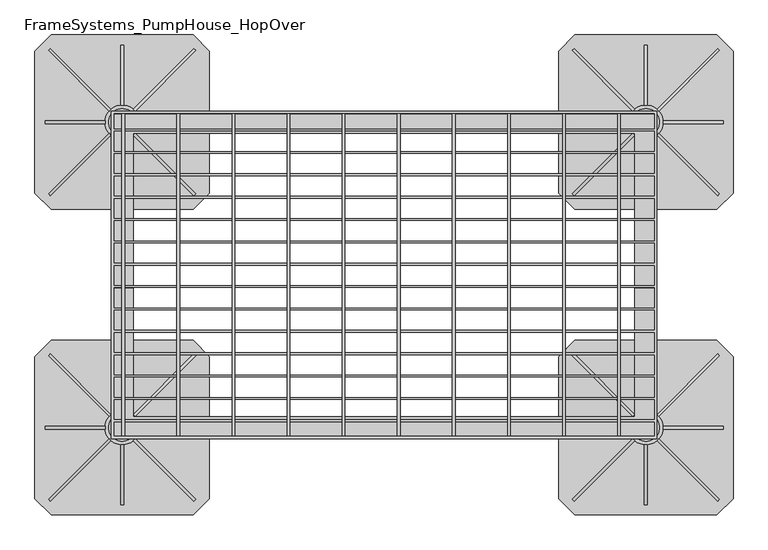
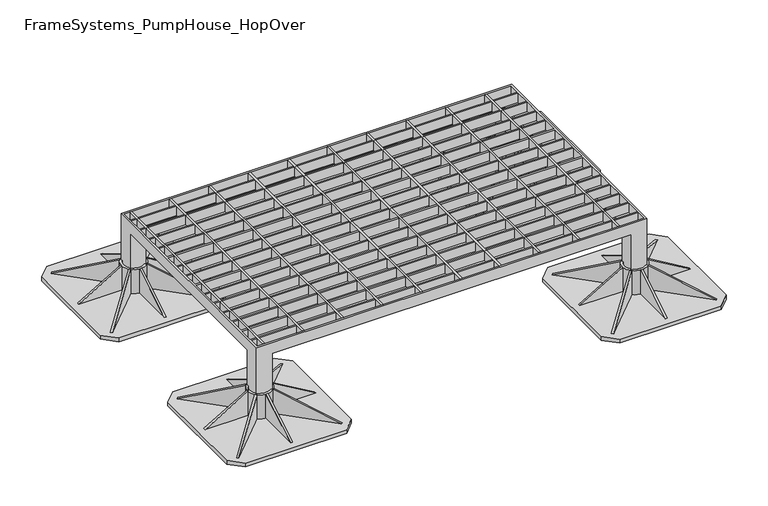
"""IFC4 building model written with IfcOpenShell, lengths in millimetres: beam geometry, FrameSystems_PumpHouse_HopOver."""

import ifcopenshell
import ifcopenshell.guid

model = None  # the IFC model being written
_history = None  # IfcOwnerHistory: only IFC2X3 demands one
_inside = {}  # id of a spatial element -> (the spatial element, [elements in it])
_under = {}  # id of a project, library or spatial element -> (it, [spatial elements below it])
_declared = {}  # id of a project -> (the project, [libraries it declares])
_typed = {}  # id of a type object -> (the type object, [elements of that type])
_made_of = {}  # id of a material, layer set ... -> (it, [elements and type objects made of it])


def new_model(schema):
    """Start an empty IFC model of exactly this schema.

    Asked for "IFC4X3", IfcOpenShell would pick the latest addendum, in which some entities
    have other attributes; the version numbers below select the first issue.
    IFC2X3 requires an IfcOwnerHistory on every rooted entity: one is made here for all.
    """
    global model, _history
    if schema == "IFC4X3":
        model = ifcopenshell.file(schema_version=(4, 3, 0, 0))
    else:
        model = ifcopenshell.file(schema=schema)
    _inside.clear()
    _under.clear()
    _declared.clear()
    _typed.clear()
    _made_of.clear()
    _history = None
    if model.schema == "IFC2X3":
        org = make("IfcOrganization", Name="unknown")
        user = make(
            "IfcPersonAndOrganization",
            ThePerson=make("IfcPerson", FamilyName="unknown"),
            TheOrganization=org,
        )
        app = make(
            "IfcApplication",
            ApplicationDeveloper=org,
            Version="unknown",
            ApplicationFullName="unknown",
            ApplicationIdentifier="unknown",
        )
        _history = make(
            "IfcOwnerHistory",
            OwningUser=user,
            OwningApplication=app,
            ChangeAction="ADDED",
            CreationDate=0,
        )
    return model


def make(cls, **values):
    """One entity of the class cls with the attributes given. An attribute that is None is left unset."""
    return model.create_entity(
        cls, **{name: value for name, value in values.items() if value is not None}
    )


def rooted(cls, **values):
    """An entity with a GlobalId (a new one), such as an element, a storey or a relation."""
    return make(cls, GlobalId=ifcopenshell.guid.new(), OwnerHistory=_history, **values)


def si_unit(unit_type, name, prefix=None):
    """IfcSIUnit, for example si_unit("LENGTHUNIT", "METRE", prefix="MILLI")."""
    return make("IfcSIUnit", UnitType=unit_type, Prefix=prefix, Name=name)


def assignment(units):
    """IfcUnitAssignment: the units of a project."""
    return None if units is None else make("IfcUnitAssignment", Units=units)


def point(xyz):
    """IfcCartesianPoint."""
    return None if xyz is None else make("IfcCartesianPoint", Coordinates=xyz)


def direction(xyz):
    """IfcDirection."""
    return None if xyz is None else make("IfcDirection", DirectionRatios=xyz)


def frame(location, z_axis=None, x_axis=None):
    """IfcAxis2Placement3D, a coordinate frame: its origin and axes. An axis left out is left unset."""
    return make(
        "IfcAxis2Placement3D",
        Location=point(location),
        Axis=direction(z_axis),
        RefDirection=direction(x_axis),
    )


def frame_2d(location, x_axis=None):
    """IfcAxis2Placement2D, a coordinate frame in the plane: its origin and x axis."""
    return make(
        "IfcAxis2Placement2D", Location=point(location), RefDirection=direction(x_axis)
    )


def origin():
    """The frame at (0, 0, 0) with its axes left unset."""
    return frame((0.0, 0.0, 0.0))


def origin_with_axes():
    """The frame at (0, 0, 0) with the z axis (0, 0, 1) and the x axis (1, 0, 0) written out."""
    return frame((0.0, 0.0, 0.0), z_axis=(0.0, 0.0, 1.0), x_axis=(1.0, 0.0, 0.0))


def place(relative_to, where):
    """IfcLocalPlacement: puts the frame where relative to a parent placement (None: the world)."""
    return make(
        "IfcLocalPlacement", PlacementRelTo=relative_to, RelativePlacement=where
    )


def context(
    kind, dimensions, precision=None, world=None, true_north=None, identifier=None
):
    """IfcGeometricRepresentationContext, for example the 3D "Model" context."""
    return make(
        "IfcGeometricRepresentationContext",
        ContextIdentifier=identifier,
        ContextType=kind,
        CoordinateSpaceDimension=dimensions,
        Precision=precision,
        WorldCoordinateSystem=world,
        TrueNorth=true_north,
    )


def project(units=None, contexts=None):
    """IfcProject with its units and contexts."""
    return rooted(
        "IfcProject",
        Name="project",
        RepresentationContexts=contexts,
        UnitsInContext=assignment(units),
    )


def spatial(cls, under=None, at=None, **own):
    """A site, building, storey or space (cls), placed at a placement, below another one or the project."""
    s = rooted(cls, ObjectPlacement=at, **own)
    if under is not None:
        _under.setdefault(under.id(), (under, []))[1].append(s)
    return s


def polyline(points):
    """IfcPolyline through the points."""
    return make("IfcPolyline", Points=[point(p) for p in points])


def circle_curve(where, radius):
    """IfcCircle in the frame where."""
    return make("IfcCircle", Position=where, Radius=radius)


def trimmed(basis, trim1, trim2, sense, master):
    """IfcTrimmedCurve: the piece of a basis curve between two trims."""
    return make(
        "IfcTrimmedCurve",
        BasisCurve=basis,
        Trim1=trim1,
        Trim2=trim2,
        SenseAgreement=sense,
        MasterRepresentation=master,
    )


def segment(curve, same_sense, transition):
    """IfcCompositeCurveSegment."""
    return make(
        "IfcCompositeCurveSegment",
        Transition=transition,
        SameSense=same_sense,
        ParentCurve=curve,
    )


def composite_curve(segments, self_intersect=None):
    """IfcCompositeCurve: segments joined end to end."""
    return make("IfcCompositeCurve", Segments=segments, SelfIntersect=self_intersect)


def outline(outer, holes=None, kind="AREA"):
    """IfcArbitraryClosedProfileDef: a profile drawn as a closed curve; with holes, ...WithVoids."""
    if holes is None:
        return make("IfcArbitraryClosedProfileDef", ProfileType=kind, OuterCurve=outer)
    return make(
        "IfcArbitraryProfileDefWithVoids",
        ProfileType=kind,
        OuterCurve=outer,
        InnerCurves=holes,
    )


def extrude(swept, where, along, depth):
    """IfcExtrudedAreaSolid: the profile swept, set in the frame where, extruded along a direction by depth."""
    return make(
        "IfcExtrudedAreaSolid",
        SweptArea=swept,
        Position=where,
        ExtrudedDirection=direction(along),
        Depth=depth,
    )


def faces_of(points, faces, orient=None, outer=None):
    """IfcFace entities. A face is a list of loops; a loop is a list of indices into points, from 0.

    orient and outer hold one flag for each loop. By default every Orientation is true, the
    first loop of a face is its IfcFaceOuterBound and the others are IfcFaceBound.
    """
    made = []
    for i, loops in enumerate(faces):
        bounds = []
        for j, loop in enumerate(loops):
            is_outer = j == 0 if outer is None else outer[i][j]
            bounds.append(
                make(
                    "IfcFaceOuterBound" if is_outer else "IfcFaceBound",
                    Bound=make("IfcPolyLoop", Polygon=[points[k] for k in loop]),
                    Orientation=True if orient is None else orient[i][j],
                )
            )
        made.append(make("IfcFace", Bounds=bounds))
    return made


def faceted_brep(points, faces, orient=None, outer=None, voids=None):
    """IfcFacetedBrep: a solid bounded by flat faces; with voids (closed shells), ...WithVoids."""
    shared = [point(p) for p in points]
    hull = make("IfcClosedShell", CfsFaces=faces_of(shared, faces, orient, outer))
    if voids is None:
        return make("IfcFacetedBrep", Outer=hull)
    return make(
        "IfcFacetedBrepWithVoids",
        Outer=hull,
        Voids=[
            make(cls, CfsFaces=faces_of(shared, fs, o, b)) for cls, fs, o, b in voids
        ],
    )


def shape(context_of_items, identifier, shape_type, items):
    """IfcShapeRepresentation: the items that make up one representation, for example the "Body"."""
    return make(
        "IfcShapeRepresentation",
        ContextOfItems=context_of_items,
        RepresentationIdentifier=identifier,
        RepresentationType=shape_type,
        Items=items,
    )


def source(mapping_origin, context_of_items, identifier, shape_type, items):
    """IfcRepresentationMap: a shape defined once, which mapped items show again and again."""
    return make(
        "IfcRepresentationMap",
        MappingOrigin=mapping_origin,
        MappedRepresentation=shape(context_of_items, identifier, shape_type, items),
    )


def transform(
    local_origin,
    x_axis=None,
    y_axis=None,
    z_axis=None,
    scale=None,
    scale2=None,
    scale3=None,
    uniform=True,
):
    """IfcCartesianTransformationOperator3D, or its non-uniform kind. x_axis, y_axis, z_axis: its Axis1, 2, 3."""
    if uniform:
        return make(
            "IfcCartesianTransformationOperator3D",
            Axis1=direction(x_axis),
            Axis2=direction(y_axis),
            LocalOrigin=point(local_origin),
            Scale=scale,
            Axis3=direction(z_axis),
        )
    return make(
        "IfcCartesianTransformationOperator3DnonUniform",
        Axis1=direction(x_axis),
        Axis2=direction(y_axis),
        LocalOrigin=point(local_origin),
        Scale=scale,
        Axis3=direction(z_axis),
        Scale2=scale2,
        Scale3=scale3,
    )


def mapped(mapping_source, mapping_target):
    """IfcMappedItem: shows the shape of a source again, moved by a transform."""
    return make(
        "IfcMappedItem", MappingSource=mapping_source, MappingTarget=mapping_target
    )


def made_of(thing, what):
    """Note that an element or type object is made of a material, layer set ...; save() writes the relation."""
    if what is not None:
        _made_of.setdefault(what.id(), (what, []))[1].append(thing)
    return thing


def element(
    cls,
    number,
    at=None,
    inside=None,
    cuts=None,
    type_object=None,
    material=None,
    context=None,
    identifier="Body",
    shape_type=None,
    held_by="IfcProductDefinitionShape",
    body=None,
    shapes=None,
    **own,
):
    """One element of the class cls, such as IfcWall. Its Tag is "e" and its number.

    at: its placement. inside: the storey or other place that contains it. cuts: it is an
    opening in that element (IfcRelVoidsElement). A single representation is given by context,
    identifier, shape_type and body (its items); several are given by shapes. held_by: the class
    of the entity that holds the representations. save() writes the other relations.
    """
    e = rooted(cls, Tag="e%d" % number, ObjectPlacement=at, **own)
    if body is not None:
        shapes = [shape(context, identifier, shape_type, body)]
    if shapes is not None:
        e.Representation = make(held_by, Representations=shapes)
    if inside is not None:
        _inside.setdefault(inside.id(), (inside, []))[1].append(e)
    if cuts is not None:
        rooted(
            "IfcRelVoidsElement", RelatingBuildingElement=cuts, RelatedOpeningElement=e
        )
    if type_object is not None:
        _typed.setdefault(type_object.id(), (type_object, []))[1].append(e)
    return made_of(e, material)


def aggregate(whole, parts):
    """IfcRelAggregates: a whole, such as a stair, and the parts it consists of."""
    return rooted("IfcRelAggregates", RelatingObject=whole, RelatedObjects=parts)


def save(model, path):
    """Write the relations noted so far, then the file.

    IfcRelAggregates (storeys below a building ...), IfcRelContainedInSpatialStructure (elements
    in a storey), IfcRelDefinesByType, IfcRelAssociatesMaterial and IfcRelDeclares: one each for
    every whole, place, type object, material and project.
    """
    for whole, parts in _under.values():
        aggregate(whole, parts)
    for where, things in _inside.values():
        rooted(
            "IfcRelContainedInSpatialStructure",
            RelatedElements=things,
            RelatingStructure=where,
        )
    for kind, things in _typed.values():
        rooted("IfcRelDefinesByType", RelatedObjects=things, RelatingType=kind)
    for what, things in _made_of.values():
        rooted("IfcRelAssociatesMaterial", RelatedObjects=things, RelatingMaterial=what)
    for by, libraries in _declared.values():
        rooted("IfcRelDeclares", RelatingContext=by, RelatedDefinitions=libraries)
    model.write(path)


def framesystems_pumphouse_hopover_622fe29a(model_context):
    return source(origin(), model_context, "Body", "SolidModel", [
        extrude(outline(polyline([(0.0, 0.0), (169.9235121, 0.0), (145.0593839, -60.0564328), (0.0, 0.0)])), frame((1091.5218613, -98.5573952, 10.0), z_axis=(0.7071067811865491, 0.7071067811865459, 0.0), x_axis=(-0.653327860317026, 0.653327860317029, 0.3825250499864671)), (0.0, 0.0, 1.0), 5.0),
        extrude(outline(polyline([(0.0, 0.0), (-145.0593839, -60.0564328), (-169.9235121, 0.0), (0.0, 0.0)])), frame((828.4781387, -98.5573952, 10.0), z_axis=(-0.7071067811865449, 0.7071067811865502, 0.0), x_axis=(-0.65332786031703, -0.653327860317025, -0.38252504998646697)), (0.0, 0.0, 1.0), 5.0),
        extrude(outline(polyline([(0.0, 0.0), (169.9235121, 0.0), (145.0593839, -60.0564328), (0.0, 0.0)])), frame((1095.0573952, 168.0218613, 10.0), z_axis=(-0.707106781186539, 0.7071067811865561, 0.0), x_axis=(-0.6533278603170355, -0.6533278603170196, 0.3825250499864671)), (0.0, 0.0, 1.0), 5.0),
        extrude(outline(polyline([(10.0, 818.5), (10.0, 928.5), (75.0, 928.5), (10.0, 818.5)])), frame((0.0, 34.0, 0.0), z_axis=(0.0, 1.0, 0.0), x_axis=(0.0, 0.0, 1.0)), (0.0, 0.0, 1.0), 5.0),
        extrude(outline(polyline([(178.0, 10.0), (68.0, 10.0), (68.0, 75.0), (178.0, 10.0)])), frame((957.5, 0.0, 0.0), z_axis=(1.0, 0.0, 0.0), x_axis=(0.0, 1.0, 0.0)), (0.0, 0.0, 1.0), 5.0),
        extrude(outline(polyline([(-105.0, 10.0), (5.0, 75.0), (5.0, 10.0), (-105.0, 10.0)])), frame((957.5, 0.0, 0.0), z_axis=(1.0, 0.0, 0.0), x_axis=(0.0, 1.0, 0.0)), (0.0, 0.0, 1.0), 5.0),
        extrude(outline(polyline([(0.0, 0.0), (-145.0593839, -60.0564328), (-169.9235121, 0.0), (0.0, 0.0)])), frame((824.9426048, 168.0218613, 10.0), z_axis=(0.7071067811865491, 0.707106781186546, 0.0), x_axis=(-0.6533278603170262, 0.653327860317029, -0.3825250499864671)), (0.0, 0.0, 1.0), 5.0),
        extrude(outline(polyline([(10.0, 1101.5), (75.0, 991.5), (10.0, 991.5), (10.0, 1101.5)])), frame((0.0, 34.0, 0.0), z_axis=(0.0, 1.0, 0.0), x_axis=(0.0, 0.0, 1.0)), (0.0, 0.0, 1.0), 5.0),
        extrude(outline(composite_curve([segment(trimmed(circle_curve(frame_2d((960.0, 36.5)), 31.5), [point((928.5, 36.5))], [point((991.5, 36.5))], False, "CARTESIAN"), True, "CONTINUOUS"), segment(trimmed(circle_curve(frame_2d((960.0, 36.5)), 31.5), [point((991.5, 36.5))], [point((928.5, 36.5))], False, "CARTESIAN"), True, "CONTINUOUS")], self_intersect=False), holes=[composite_curve([segment(polyline([(940.0, 21.5), (940.0, 16.5), (945.0, 16.5)]), True, "CONTINUOUS"), segment(trimmed(circle_curve(frame_2d((960.0, 36.5)), 25.0), [point((945.0, 16.5))], [point((975.0, 16.5))], True, "CARTESIAN"), True, "CONTINUOUS"), segment(polyline([(975.0, 16.5), (980.0, 16.5), (980.0, 21.5)]), True, "CONTINUOUS"), segment(trimmed(circle_curve(frame_2d((960.0, 36.5)), 25.0), [point((980.0, 21.5))], [point((980.0, 51.5))], True, "CARTESIAN"), True, "CONTINUOUS"), segment(polyline([(980.0, 51.5), (980.0, 56.5), (975.0, 56.5)]), True, "CONTINUOUS"), segment(trimmed(circle_curve(frame_2d((960.0, 36.5)), 25.0), [point((975.0, 56.5))], [point((945.0, 56.5))], True, "CARTESIAN"), True, "CONTINUOUS"), segment(polyline([(945.0, 56.5), (940.0, 56.5), (940.0, 51.5)]), True, "CONTINUOUS"), segment(trimmed(circle_curve(frame_2d((960.0, 36.5)), 25.0), [point((940.0, 51.5))], [point((940.0, 21.5))], True, "CARTESIAN"), True, "CONTINUOUS")], self_intersect=False)]), frame((0.0, 0.0, 10.0), z_axis=(0.0, 0.0, 1.0), x_axis=(1.0, 0.0, 0.0)), (0.0, 0.0, 1.0), 65.0),
        extrude(outline(polyline([(1090.0, 196.5), (1120.0, 166.5), (1120.0, -93.5), (1090.0, -123.5), (830.0, -123.5), (800.0, -93.5), (800.0, 166.5), (830.0, 196.5), (1090.0, 196.5)])), origin_with_axes(), (0.0, 0.0, 1.0), 10.0),
        extrude(outline(polyline([(0.0, 0.0), (169.9235121, 0.0), (145.0593839, -60.0564328), (0.0, 0.0)])), frame((131.5218613, -98.5573952, 10.0), z_axis=(0.7071067811865491, 0.7071067811865459, 0.0), x_axis=(-0.653327860317026, 0.653327860317029, 0.3825250499864671)), (0.0, 0.0, 1.0), 5.0),
        extrude(outline(polyline([(0.0, 0.0), (-145.0593839, -60.0564328), (-169.9235121, 0.0), (0.0, 0.0)])), frame((-131.5218613, -98.5573952, 10.0), z_axis=(-0.7071067811865449, 0.7071067811865502, 0.0), x_axis=(-0.65332786031703, -0.653327860317025, -0.38252504998646697)), (0.0, 0.0, 1.0), 5.0),
        extrude(outline(polyline([(0.0, 0.0), (169.9235121, 0.0), (145.0593839, -60.0564328), (0.0, 0.0)])), frame((135.0573952, 168.0218613, 10.0), z_axis=(-0.707106781186539, 0.7071067811865561, 0.0), x_axis=(-0.6533278603170355, -0.6533278603170196, 0.3825250499864671)), (0.0, 0.0, 1.0), 5.0),
        extrude(outline(polyline([(10.0, -141.5), (10.0, -31.5), (75.0, -31.5), (10.0, -141.5)])), frame((0.0, 34.0, 0.0), z_axis=(0.0, 1.0, 0.0), x_axis=(0.0, 0.0, 1.0)), (0.0, 0.0, 1.0), 5.0),
        extrude(outline(polyline([(178.0, 10.0), (68.0, 10.0), (68.0, 75.0), (178.0, 10.0)])), frame((-2.5, 0.0, 0.0), z_axis=(1.0, 0.0, 0.0), x_axis=(0.0, 1.0, 0.0)), (0.0, 0.0, 1.0), 5.0),
        extrude(outline(polyline([(-105.0, 10.0), (5.0, 75.0), (5.0, 10.0), (-105.0, 10.0)])), frame((-2.5, 0.0, 0.0), z_axis=(1.0, 0.0, 0.0), x_axis=(0.0, 1.0, 0.0)), (0.0, 0.0, 1.0), 5.0),
        extrude(outline(polyline([(0.0, 0.0), (-145.0593839, -60.0564328), (-169.9235121, 0.0), (0.0, 0.0)])), frame((-135.0573952, 168.0218613, 10.0), z_axis=(0.7071067811865491, 0.707106781186546, 0.0), x_axis=(-0.6533278603170262, 0.653327860317029, -0.3825250499864671)), (0.0, 0.0, 1.0), 5.0),
        extrude(outline(polyline([(10.0, 141.5), (75.0, 31.5), (10.0, 31.5), (10.0, 141.5)])), frame((0.0, 34.0, 0.0), z_axis=(0.0, 1.0, 0.0), x_axis=(0.0, 0.0, 1.0)), (0.0, 0.0, 1.0), 5.0),
        extrude(outline(composite_curve([segment(trimmed(circle_curve(frame_2d((0.0, 36.5)), 31.5), [point((-31.5, 36.5))], [point((31.5, 36.5))], False, "CARTESIAN"), True, "CONTINUOUS"), segment(trimmed(circle_curve(frame_2d((0.0, 36.5)), 31.5), [point((31.5, 36.5))], [point((-31.5, 36.5))], False, "CARTESIAN"), True, "CONTINUOUS")], self_intersect=False), holes=[composite_curve([segment(polyline([(-20.0, 21.5), (-20.0, 16.5), (-15.0, 16.5)]), True, "CONTINUOUS"), segment(trimmed(circle_curve(frame_2d((0.0, 36.5)), 25.0), [point((-15.0, 16.5))], [point((15.0, 16.5))], True, "CARTESIAN"), True, "CONTINUOUS"), segment(polyline([(15.0, 16.5), (20.0, 16.5), (20.0, 21.5)]), True, "CONTINUOUS"), segment(trimmed(circle_curve(frame_2d((0.0, 36.5)), 25.0), [point((20.0, 21.5))], [point((20.0, 51.5))], True, "CARTESIAN"), True, "CONTINUOUS"), segment(polyline([(20.0, 51.5), (20.0, 56.5), (15.0, 56.5)]), True, "CONTINUOUS"), segment(trimmed(circle_curve(frame_2d((0.0, 36.5)), 25.0), [point((15.0, 56.5))], [point((-15.0, 56.5))], True, "CARTESIAN"), True, "CONTINUOUS"), segment(polyline([(-15.0, 56.5), (-20.0, 56.5), (-20.0, 51.5)]), True, "CONTINUOUS"), segment(trimmed(circle_curve(frame_2d((0.0, 36.5)), 25.0), [point((-20.0, 51.5))], [point((-20.0, 21.5))], True, "CARTESIAN"), True, "CONTINUOUS")], self_intersect=False)]), frame((0.0, 0.0, 10.0), z_axis=(0.0, 0.0, 1.0), x_axis=(1.0, 0.0, 0.0)), (0.0, 0.0, 1.0), 65.0),
        extrude(outline(polyline([(130.0, 196.5), (160.0, 166.5), (160.0, -93.5), (130.0, -123.5), (-130.0, -123.5), (-160.0, -93.5), (-160.0, 166.5), (-130.0, 196.5), (130.0, 196.5)])), origin_with_axes(), (0.0, 0.0, 1.0), 10.0),
        extrude(outline(polyline([(0.0, 0.0), (169.9235121, 0.0), (145.0593839, -60.0564328), (0.0, 0.0)])), frame((1091.5218613, 461.4426048, 10.0), z_axis=(0.7071067811865491, 0.7071067811865459, 0.0), x_axis=(-0.653327860317026, 0.653327860317029, 0.3825250499864671)), (0.0, 0.0, 1.0), 5.0),
        extrude(outline(polyline([(0.0, 0.0), (-145.0593839, -60.0564328), (-169.9235121, 0.0), (0.0, 0.0)])), frame((828.4781387, 461.4426048, 10.0), z_axis=(-0.7071067811865449, 0.7071067811865502, 0.0), x_axis=(-0.65332786031703, -0.653327860317025, -0.38252504998646697)), (0.0, 0.0, 1.0), 5.0),
        extrude(outline(polyline([(0.0, 0.0), (169.9235121, 0.0), (145.0593839, -60.0564328), (0.0, 0.0)])), frame((1095.0573952, 728.0218613, 10.0), z_axis=(-0.707106781186539, 0.7071067811865561, 0.0), x_axis=(-0.6533278603170355, -0.6533278603170196, 0.3825250499864671)), (0.0, 0.0, 1.0), 5.0),
        extrude(outline(polyline([(10.0, 818.5), (10.0, 928.5), (75.0, 928.5), (10.0, 818.5)])), frame((0.0, 594.0, 0.0), z_axis=(0.0, 1.0, 0.0), x_axis=(0.0, 0.0, 1.0)), (0.0, 0.0, 1.0), 5.0),
        extrude(outline(polyline([(738.0, 10.0), (628.0, 10.0), (628.0, 75.0), (738.0, 10.0)])), frame((957.5, 0.0, 0.0), z_axis=(1.0, 0.0, 0.0), x_axis=(0.0, 1.0, 0.0)), (0.0, 0.0, 1.0), 5.0),
        extrude(outline(polyline([(455.0, 10.0), (565.0, 75.0), (565.0, 10.0), (455.0, 10.0)])), frame((957.5, 0.0, 0.0), z_axis=(1.0, 0.0, 0.0), x_axis=(0.0, 1.0, 0.0)), (0.0, 0.0, 1.0), 5.0),
        extrude(outline(polyline([(0.0, 0.0), (-145.0593839, -60.0564328), (-169.9235121, 0.0), (0.0, 0.0)])), frame((824.9426048, 728.0218613, 10.0), z_axis=(0.7071067811865491, 0.707106781186546, 0.0), x_axis=(-0.6533278603170262, 0.653327860317029, -0.3825250499864671)), (0.0, 0.0, 1.0), 5.0),
        extrude(outline(polyline([(10.0, 1101.5), (75.0, 991.5), (10.0, 991.5), (10.0, 1101.5)])), frame((0.0, 594.0, 0.0), z_axis=(0.0, 1.0, 0.0), x_axis=(0.0, 0.0, 1.0)), (0.0, 0.0, 1.0), 5.0),
        extrude(outline(composite_curve([segment(trimmed(circle_curve(frame_2d((960.0, 596.5)), 31.5), [point((928.5, 596.5))], [point((991.5, 596.5))], False, "CARTESIAN"), True, "CONTINUOUS"), segment(trimmed(circle_curve(frame_2d((960.0, 596.5)), 31.5), [point((991.5, 596.5))], [point((928.5, 596.5))], False, "CARTESIAN"), True, "CONTINUOUS")], self_intersect=False), holes=[composite_curve([segment(polyline([(940.0, 581.5), (940.0, 576.5), (945.0, 576.5)]), True, "CONTINUOUS"), segment(trimmed(circle_curve(frame_2d((960.0, 596.5)), 25.0), [point((945.0, 576.5))], [point((975.0, 576.5))], True, "CARTESIAN"), True, "CONTINUOUS"), segment(polyline([(975.0, 576.5), (980.0, 576.5), (980.0, 581.5)]), True, "CONTINUOUS"), segment(trimmed(circle_curve(frame_2d((960.0, 596.5)), 25.0), [point((980.0, 581.5))], [point((980.0, 611.5))], True, "CARTESIAN"), True, "CONTINUOUS"), segment(polyline([(980.0, 611.5), (980.0, 616.5), (975.0, 616.5)]), True, "CONTINUOUS"), segment(trimmed(circle_curve(frame_2d((960.0, 596.5)), 25.0), [point((975.0, 616.5))], [point((945.0, 616.5))], True, "CARTESIAN"), True, "CONTINUOUS"), segment(polyline([(945.0, 616.5), (940.0, 616.5), (940.0, 611.5)]), True, "CONTINUOUS"), segment(trimmed(circle_curve(frame_2d((960.0, 596.5)), 25.0), [point((940.0, 611.5))], [point((940.0, 581.5))], True, "CARTESIAN"), True, "CONTINUOUS")], self_intersect=False)]), frame((0.0, 0.0, 10.0), z_axis=(0.0, 0.0, 1.0), x_axis=(1.0, 0.0, 0.0)), (0.0, 0.0, 1.0), 65.0),
        extrude(outline(polyline([(1090.0, 756.5), (1120.0, 726.5), (1120.0, 466.5), (1090.0, 436.5), (830.0, 436.5), (800.0, 466.5), (800.0, 726.5), (830.0, 756.5), (1090.0, 756.5)])), origin_with_axes(), (0.0, 0.0, 1.0), 10.0),
        extrude(outline(polyline([(0.0, 0.0), (169.9235121, 0.0), (145.0593839, -60.0564328), (0.0, 0.0)])), frame((131.5218613, 461.4426048, 10.0), z_axis=(0.7071067811865491, 0.7071067811865459, 0.0), x_axis=(-0.653327860317026, 0.653327860317029, 0.3825250499864671)), (0.0, 0.0, 1.0), 5.0),
        extrude(outline(polyline([(0.0, 0.0), (-145.0593839, -60.0564328), (-169.9235121, 0.0), (0.0, 0.0)])), frame((-131.5218613, 461.4426048, 10.0), z_axis=(-0.7071067811865449, 0.7071067811865502, 0.0), x_axis=(-0.65332786031703, -0.653327860317025, -0.38252504998646697)), (0.0, 0.0, 1.0), 5.0),
        extrude(outline(polyline([(0.0, 0.0), (169.9235121, 0.0), (145.0593839, -60.0564328), (0.0, 0.0)])), frame((135.0573952, 728.0218613, 10.0), z_axis=(-0.707106781186539, 0.7071067811865561, 0.0), x_axis=(-0.6533278603170355, -0.6533278603170196, 0.3825250499864671)), (0.0, 0.0, 1.0), 5.0),
        extrude(outline(polyline([(10.0, -141.5), (10.0, -31.5), (75.0, -31.5), (10.0, -141.5)])), frame((0.0, 594.0, 0.0), z_axis=(0.0, 1.0, 0.0), x_axis=(0.0, 0.0, 1.0)), (0.0, 0.0, 1.0), 5.0),
        extrude(outline(polyline([(738.0, 10.0), (628.0, 10.0), (628.0, 75.0), (738.0, 10.0)])), frame((-2.5, 0.0, 0.0), z_axis=(1.0, 0.0, 0.0), x_axis=(0.0, 1.0, 0.0)), (0.0, 0.0, 1.0), 5.0),
        extrude(outline(polyline([(455.0, 10.0), (565.0, 75.0), (565.0, 10.0), (455.0, 10.0)])), frame((-2.5, 0.0, 0.0), z_axis=(1.0, 0.0, 0.0), x_axis=(0.0, 1.0, 0.0)), (0.0, 0.0, 1.0), 5.0),
        extrude(outline(polyline([(0.0, 0.0), (-145.0593839, -60.0564328), (-169.9235121, 0.0), (0.0, 0.0)])), frame((-135.0573952, 728.0218613, 10.0), z_axis=(0.7071067811865491, 0.707106781186546, 0.0), x_axis=(-0.6533278603170262, 0.653327860317029, -0.3825250499864671)), (0.0, 0.0, 1.0), 5.0),
        extrude(outline(polyline([(10.0, 141.5), (75.0, 31.5), (10.0, 31.5), (10.0, 141.5)])), frame((0.0, 594.0, 0.0), z_axis=(0.0, 1.0, 0.0), x_axis=(0.0, 0.0, 1.0)), (0.0, 0.0, 1.0), 5.0),
        extrude(outline(composite_curve([segment(trimmed(circle_curve(frame_2d((0.0, 596.5)), 31.5), [point((-31.5, 596.5))], [point((31.5, 596.5))], False, "CARTESIAN"), True, "CONTINUOUS"), segment(trimmed(circle_curve(frame_2d((0.0, 596.5)), 31.5), [point((31.5, 596.5))], [point((-31.5, 596.5))], False, "CARTESIAN"), True, "CONTINUOUS")], self_intersect=False), holes=[composite_curve([segment(polyline([(-20.0, 581.5), (-20.0, 576.5), (-15.0, 576.5)]), True, "CONTINUOUS"), segment(trimmed(circle_curve(frame_2d((0.0, 596.5)), 25.0), [point((-15.0, 576.5))], [point((15.0, 576.5))], True, "CARTESIAN"), True, "CONTINUOUS"), segment(polyline([(15.0, 576.5), (20.0, 576.5), (20.0, 581.5)]), True, "CONTINUOUS"), segment(trimmed(circle_curve(frame_2d((0.0, 596.5)), 25.0), [point((20.0, 581.5))], [point((20.0, 611.5))], True, "CARTESIAN"), True, "CONTINUOUS"), segment(polyline([(20.0, 611.5), (20.0, 616.5), (15.0, 616.5)]), True, "CONTINUOUS"), segment(trimmed(circle_curve(frame_2d((0.0, 596.5)), 25.0), [point((15.0, 616.5))], [point((-15.0, 616.5))], True, "CARTESIAN"), True, "CONTINUOUS"), segment(polyline([(-15.0, 616.5), (-20.0, 616.5), (-20.0, 611.5)]), True, "CONTINUOUS"), segment(trimmed(circle_curve(frame_2d((0.0, 596.5)), 25.0), [point((-20.0, 611.5))], [point((-20.0, 581.5))], True, "CARTESIAN"), True, "CONTINUOUS")], self_intersect=False)]), frame((0.0, 0.0, 10.0), z_axis=(0.0, 0.0, 1.0), x_axis=(1.0, 0.0, 0.0)), (0.0, 0.0, 1.0), 65.0),
        extrude(outline(polyline([(130.0, 756.5), (160.0, 726.5), (160.0, 466.5), (130.0, 436.5), (-130.0, 436.5), (-160.0, 466.5), (-160.0, 726.5), (-130.0, 756.5), (130.0, 756.5)])), origin_with_axes(), (0.0, 0.0, 1.0), 10.0),
        extrude(outline(polyline([(-0.5314909, 611.5), (4.4685091, 611.5), (4.4685091, 21.5), (-0.5314909, 21.5), (-0.5314909, 611.5)])), frame((0.0, 0.0, 175.0), z_axis=(0.0, 0.0, 1.0), x_axis=(1.0, 0.0, 0.0)), (0.0, 0.0, 1.0), 25.0),
        extrude(outline(polyline([(100.4685091, 611.5), (105.4685091, 611.5), (105.4685091, 21.5), (100.4685091, 21.5), (100.4685091, 611.5)])), frame((0.0, 0.0, 175.0), z_axis=(0.0, 0.0, 1.0), x_axis=(1.0, 0.0, 0.0)), (0.0, 0.0, 1.0), 25.0),
        extrude(outline(polyline([(201.4685091, 611.5), (206.4685091, 611.5), (206.4685091, 21.5), (201.4685091, 21.5), (201.4685091, 611.5)])), frame((0.0, 0.0, 175.0), z_axis=(0.0, 0.0, 1.0), x_axis=(1.0, 0.0, 0.0)), (0.0, 0.0, 1.0), 25.0),
        extrude(outline(polyline([(302.4685091, 611.5), (307.4685091, 611.5), (307.4685091, 21.5), (302.4685091, 21.5), (302.4685091, 611.5)])), frame((0.0, 0.0, 175.0), z_axis=(0.0, 0.0, 1.0), x_axis=(1.0, 0.0, 0.0)), (0.0, 0.0, 1.0), 25.0),
        extrude(outline(polyline([(403.4685091, 611.5), (408.4685091, 611.5), (408.4685091, 21.5), (403.4685091, 21.5), (403.4685091, 611.5)])), frame((0.0, 0.0, 175.0), z_axis=(0.0, 0.0, 1.0), x_axis=(1.0, 0.0, 0.0)), (0.0, 0.0, 1.0), 25.0),
        extrude(outline(polyline([(504.4685091, 611.5), (509.4685091, 611.5), (509.4685091, 21.5), (504.4685091, 21.5), (504.4685091, 611.5)])), frame((0.0, 0.0, 175.0), z_axis=(0.0, 0.0, 1.0), x_axis=(1.0, 0.0, 0.0)), (0.0, 0.0, 1.0), 25.0),
        extrude(outline(polyline([(605.4685091, 611.5), (610.4685091, 611.5), (610.4685091, 21.5), (605.4685091, 21.5), (605.4685091, 611.5)])), frame((0.0, 0.0, 175.0), z_axis=(0.0, 0.0, 1.0), x_axis=(1.0, 0.0, 0.0)), (0.0, 0.0, 1.0), 25.0),
        extrude(outline(polyline([(706.4685091, 611.5), (711.4685091, 611.5), (711.4685091, 21.5), (706.4685091, 21.5), (706.4685091, 611.5)])), frame((0.0, 0.0, 175.0), z_axis=(0.0, 0.0, 1.0), x_axis=(1.0, 0.0, 0.0)), (0.0, 0.0, 1.0), 25.0),
        extrude(outline(polyline([(807.4685091, 611.5), (812.4685091, 611.5), (812.4685091, 21.5), (807.4685091, 21.5), (807.4685091, 611.5)])), frame((0.0, 0.0, 175.0), z_axis=(0.0, 0.0, 1.0), x_axis=(1.0, 0.0, 0.0)), (0.0, 0.0, 1.0), 25.0),
        extrude(outline(polyline([(908.4685091, 611.5), (913.4685091, 611.5), (913.4685091, 21.5), (908.4685091, 21.5), (908.4685091, 611.5)])), frame((0.0, 0.0, 175.0), z_axis=(0.0, 0.0, 1.0), x_axis=(1.0, 0.0, 0.0)), (0.0, 0.0, 1.0), 25.0),
        faceted_brep([(20.0, 576.5, 170.0), (20.0, 56.5, 170.0), (-20.0, 56.5, 170.0), (-20.0, 576.5, 170.0), (940.0, 56.5, 170.0), (940.0, 16.5, 170.0), (20.0, 16.5, 170.0), (940.0, 576.5, 170.0), (980.0, 576.5, 170.0), (980.0, 56.5, 170.0), (20.0, 616.5, 170.0), (940.0, 616.5, 170.0), (20.0, 576.5, 175.0), (940.0, 576.5, 175.0), (940.0, 543.5, 175.0), (975.0, 543.5, 175.0), (975.0, 579.5, 175.0), (-15.0, 579.5, 175.0), (-15.0, 543.5, 175.0), (20.0, 543.5, 175.0), (940.0, 56.5, 175.0), (20.0, 56.5, 175.0), (20.0, 87.5, 175.0), (-15.0, 87.5, 175.0), (-15.0, 51.5, 175.0), (975.0, 51.5, 175.0), (975.0, 87.5, 175.0), (940.0, 87.5, 175.0), (20.0, 215.5, 175.0), (20.0, 251.5, 175.0), (-15.0, 251.5, 175.0), (-15.0, 215.5, 175.0), (20.0, 256.5, 175.0), (20.0, 292.5, 175.0), (-15.0, 292.5, 175.0), (-15.0, 256.5, 175.0), (20.0, 297.5, 175.0), (20.0, 333.5, 175.0), (-15.0, 333.5, 175.0), (-15.0, 297.5, 175.0), (20.0, 338.5, 175.0), (20.0, 374.5, 175.0), (-15.0, 374.5, 175.0), (-15.0, 338.5, 175.0), (20.0, 379.5, 175.0), (20.0, 415.5, 175.0), (-15.0, 415.5, 175.0), (-15.0, 379.5, 175.0), (20.0, 420.5, 175.0), (20.0, 456.5, 175.0), (-15.0, 456.5, 175.0), (-15.0, 420.5, 175.0), (20.0, 461.5, 175.0), (20.0, 497.5, 175.0), (-15.0, 497.5, 175.0), (-15.0, 461.5, 175.0), (20.0, 502.5, 175.0), (20.0, 538.5, 175.0), (-15.0, 538.5, 175.0), (-15.0, 502.5, 175.0), (-15.0, 21.5, 175.0), (975.0, 21.5, 175.0), (975.0, 46.5, 175.0), (-15.0, 46.5, 175.0), (-15.0, 92.5, 175.0), (20.0, 92.5, 175.0), (20.0, 128.5, 175.0), (-15.0, 128.5, 175.0), (940.0, 92.5, 175.0), (975.0, 92.5, 175.0), (975.0, 128.5, 175.0), (940.0, 128.5, 175.0), (940.0, 133.5, 175.0), (975.0, 133.5, 175.0), (975.0, 169.5, 175.0), (940.0, 169.5, 175.0), (-15.0, 133.5, 175.0), (20.0, 133.5, 175.0), (20.0, 169.5, 175.0), (-15.0, 169.5, 175.0), (940.0, 251.5, 175.0), (940.0, 215.5, 175.0), (975.0, 215.5, 175.0), (975.0, 251.5, 175.0), (940.0, 292.5, 175.0), (940.0, 256.5, 175.0), (975.0, 256.5, 175.0), (975.0, 292.5, 175.0), (940.0, 333.5, 175.0), (940.0, 297.5, 175.0), (975.0, 297.5, 175.0), (975.0, 333.5, 175.0), (940.0, 374.5, 175.0), (940.0, 338.5, 175.0), (975.0, 338.5, 175.0), (975.0, 374.5, 175.0), (940.0, 415.5, 175.0), (940.0, 379.5, 175.0), (975.0, 379.5, 175.0), (975.0, 415.5, 175.0), (940.0, 456.5, 175.0), (940.0, 420.5, 175.0), (975.0, 420.5, 175.0), (975.0, 456.5, 175.0), (940.0, 497.5, 175.0), (940.0, 461.5, 175.0), (975.0, 461.5, 175.0), (975.0, 497.5, 175.0), (940.0, 538.5, 175.0), (940.0, 502.5, 175.0), (975.0, 502.5, 175.0), (975.0, 538.5, 175.0), (20.0, 210.5, 175.0), (-15.0, 210.5, 175.0), (-15.0, 174.5, 175.0), (20.0, 174.5, 175.0), (975.0, 210.5, 175.0), (940.0, 210.5, 175.0), (940.0, 174.5, 175.0), (975.0, 174.5, 175.0), (-15.0, 584.5, 175.0), (975.0, 584.5, 175.0), (975.0, 611.5, 175.0), (-15.0, 611.5, 175.0), (20.0, 616.5, 10.0), (-20.0, 616.5, 10.0), (-20.0, 616.5, 200.0), (980.0, 616.5, 200.0), (980.0, 616.5, 10.0), (940.0, 616.5, 10.0), (980.0, 16.5, 10.0), (980.0, 56.5, 10.0), (980.0, 576.5, 10.0), (980.0, 16.5, 200.0), (-20.0, 16.5, 10.0), (20.0, 16.5, 10.0), (940.0, 16.5, 10.0), (-20.0, 16.5, 200.0), (-20.0, 576.5, 10.0), (-20.0, 56.5, 10.0), (940.0, 56.5, 10.0), (20.0, 576.5, 10.0), (20.0, 56.5, 10.0), (940.0, 576.5, 10.0), (-15.0, 21.5, 200.0), (975.0, 21.5, 200.0), (-15.0, 46.5, 200.0), (-15.0, 51.5, 200.0), (-15.0, 87.5, 200.0), (-15.0, 92.5, 200.0), (-15.0, 128.5, 200.0), (-15.0, 133.5, 200.0), (-15.0, 169.5, 200.0), (-15.0, 611.5, 200.0), (-15.0, 584.5, 200.0), (-15.0, 251.5, 200.0), (-15.0, 215.5, 200.0), (-15.0, 292.5, 200.0), (-15.0, 256.5, 200.0), (-15.0, 333.5, 200.0), (-15.0, 297.5, 200.0), (-15.0, 374.5, 200.0), (-15.0, 338.5, 200.0), (-15.0, 415.5, 200.0), (-15.0, 379.5, 200.0), (-15.0, 456.5, 200.0), (-15.0, 420.5, 200.0), (-15.0, 497.5, 200.0), (-15.0, 461.5, 200.0), (-15.0, 538.5, 200.0), (-15.0, 502.5, 200.0), (-15.0, 579.5, 200.0), (-15.0, 543.5, 200.0), (-15.0, 210.5, 200.0), (-15.0, 174.5, 200.0), (975.0, 611.5, 200.0), (975.0, 46.5, 200.0), (975.0, 584.5, 200.0), (975.0, 51.5, 200.0), (975.0, 87.5, 200.0), (975.0, 92.5, 200.0), (975.0, 128.5, 200.0), (975.0, 133.5, 200.0), (975.0, 169.5, 200.0), (975.0, 215.5, 200.0), (975.0, 251.5, 200.0), (975.0, 256.5, 200.0), (975.0, 292.5, 200.0), (975.0, 297.5, 200.0), (975.0, 333.5, 200.0), (975.0, 338.5, 200.0), (975.0, 374.5, 200.0), (975.0, 379.5, 200.0), (975.0, 415.5, 200.0), (975.0, 420.5, 200.0), (975.0, 456.5, 200.0), (975.0, 461.5, 200.0), (975.0, 497.5, 200.0), (975.0, 502.5, 200.0), (975.0, 538.5, 200.0), (975.0, 543.5, 200.0), (975.0, 579.5, 200.0), (975.0, 210.5, 200.0), (975.0, 174.5, 200.0)], [[[0, 1, 2, 3]], [[1, 4, 5, 6]], [[4, 7, 8, 9]], [[7, 0, 10, 11]], [[12, 13, 14, 15, 16, 17, 18, 19]], [[20, 21, 22, 23, 24, 25, 26, 27]], [[28, 29, 30, 31]], [[32, 33, 34, 35]], [[36, 37, 38, 39]], [[40, 41, 42, 43]], [[44, 45, 46, 47]], [[48, 49, 50, 51]], [[52, 53, 54, 55]], [[56, 57, 58, 59]], [[60, 61, 62, 63]], [[64, 65, 66, 67]], [[68, 69, 70, 71]], [[72, 73, 74, 75]], [[76, 77, 78, 79]], [[80, 81, 82, 83]], [[84, 85, 86, 87]], [[88, 89, 90, 91]], [[92, 93, 94, 95]], [[96, 97, 98, 99]], [[100, 101, 102, 103]], [[104, 105, 106, 107]], [[108, 109, 110, 111]], [[112, 113, 114, 115]], [[116, 117, 118, 119]], [[120, 121, 122, 123]], [[124, 125, 126, 127, 128, 129, 11, 10]], [[130, 131, 9, 8, 132, 128, 127, 133]], [[134, 135, 6, 5, 136, 130, 133, 137]], [[125, 138, 3, 2, 139, 134, 137, 126]], [[1, 0, 12, 19, 57, 56, 53, 52, 49, 48, 45, 44, 41, 40, 37, 36, 33, 32, 29, 28, 112, 115, 78, 77, 66, 65, 22, 21]], [[4, 1, 21, 20]], [[7, 4, 20, 27, 68, 71, 72, 75, 118, 117, 81, 80, 85, 84, 89, 88, 93, 92, 97, 96, 101, 100, 105, 104, 109, 108, 14, 13]], [[0, 7, 13, 12]], [[131, 130, 136, 140]], [[138, 125, 124, 141]], [[139, 142, 135, 134]], [[132, 143, 129, 128]], [[141, 124, 10, 0]], [[138, 141, 0, 3]], [[142, 139, 2, 1]], [[135, 142, 1, 6]], [[140, 136, 5, 4]], [[131, 140, 4, 9]], [[143, 132, 8, 7]], [[129, 143, 7, 11]], [[144, 145, 61, 60]], [[144, 60, 63, 146]], [[147, 24, 23, 148]], [[149, 64, 67, 150]], [[151, 76, 79, 152]], [[123, 153, 154, 120]], [[155, 156, 31, 30]], [[157, 158, 35, 34]], [[159, 160, 39, 38]], [[161, 162, 43, 42]], [[163, 164, 47, 46]], [[165, 166, 51, 50]], [[167, 168, 55, 54]], [[169, 170, 59, 58]], [[171, 172, 18, 17]], [[113, 173, 174, 114]], [[175, 153, 123, 122]], [[61, 145, 176, 62]], [[175, 122, 121, 177]], [[25, 178, 179, 26]], [[69, 180, 181, 70]], [[73, 182, 183, 74]], [[184, 185, 83, 82]], [[186, 187, 87, 86]], [[188, 189, 91, 90]], [[190, 191, 95, 94]], [[192, 193, 99, 98]], [[194, 195, 103, 102]], [[196, 197, 107, 106]], [[198, 199, 111, 110]], [[200, 201, 16, 15]], [[202, 116, 119, 203]], [[137, 133, 127, 126], [145, 144, 146, 176], [184, 156, 155, 185], [173, 202, 203, 174], [186, 158, 157, 187], [188, 160, 159, 189], [190, 162, 161, 191], [192, 164, 163, 193], [194, 166, 165, 195], [196, 168, 167, 197], [198, 170, 169, 199], [200, 172, 171, 201], [178, 147, 148, 179], [180, 149, 150, 181], [151, 152, 183, 182], [177, 154, 153, 175]], [[117, 112, 28, 81]], [[156, 184, 82, 81, 28, 31]], [[202, 173, 113, 112, 117, 116]], [[80, 29, 32, 85]], [[158, 186, 86, 85, 32, 35]], [[185, 155, 30, 29, 80, 83]], [[84, 33, 36, 89]], [[160, 188, 90, 89, 36, 39]], [[187, 157, 34, 33, 84, 87]], [[88, 37, 40, 93]], [[162, 190, 94, 93, 40, 43]], [[189, 159, 38, 37, 88, 91]], [[92, 41, 44, 97]], [[164, 192, 98, 97, 44, 47]], [[191, 161, 42, 41, 92, 95]], [[96, 45, 48, 101]], [[166, 194, 102, 101, 48, 51]], [[193, 163, 46, 45, 96, 99]], [[100, 49, 52, 105]], [[168, 196, 106, 105, 52, 55]], [[195, 165, 50, 49, 100, 103]], [[104, 53, 56, 109]], [[170, 198, 110, 109, 56, 59]], [[197, 167, 54, 53, 104, 107]], [[108, 57, 19, 14]], [[172, 200, 15, 14, 19, 18]], [[199, 169, 58, 57, 108, 111]], [[147, 178, 25, 24]], [[176, 146, 63, 62]], [[65, 68, 27, 22]], [[149, 180, 69, 68, 65, 64]], [[179, 148, 23, 22, 27, 26]], [[77, 72, 71, 66]], [[151, 182, 73, 72, 77, 76]], [[181, 150, 67, 66, 71, 70]], [[115, 118, 75, 78]], [[174, 203, 119, 118, 115, 114]], [[183, 152, 79, 78, 75, 74]], [[154, 177, 121, 120]], [[201, 171, 17, 16]]]),
    ])


if __name__ == "__main__":
    model = new_model("IFC4")
    model_context = context("Model", 3, world=origin())
    ifc_project = project(units=[si_unit("LENGTHUNIT", "METRE", prefix="MILLI")], contexts=[model_context])
    site = spatial("IfcSite", under=ifc_project)
    building = spatial("IfcBuilding", under=site)
    placement = place(None, origin())
    framesystems_pumphouse_hopover_shape = framesystems_pumphouse_hopover_622fe29a(model_context)
    element("IfcBeam", 1, ObjectType="FrameSystems_PumpHouse_HopOver", at=placement, inside=building, context=model_context, shape_type="MappedRepresentation", body=[
        mapped(framesystems_pumphouse_hopover_shape, transform((0.0, 0.0, 0.0), x_axis=(1.0, 0.0, 0.0), y_axis=(0.0, 1.0, 0.0), z_axis=(0.0, 0.0, 1.0))),
    ])
    save(model, "model.ifc")
